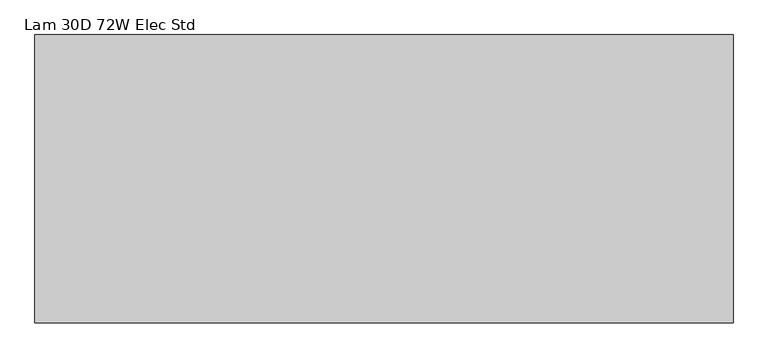
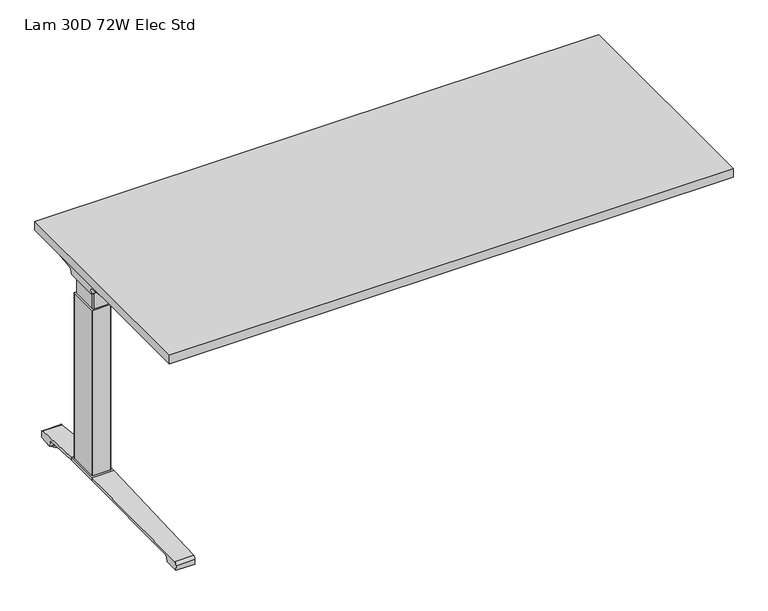
"""IFC4 building model written with IfcOpenShell, lengths in millimetres: furniture geometry, Lam 30D 72W Elec Std."""

from ifc_helpers import new_model, si_unit, point, frame, frame_2d, origin, place, context, project, spatial, polyline, circle_curve, ellipse_curve, trimmed, segment, composite_curve, outline, extrude, source, transform, mapped, element, save
from ifc_brep_helpers import plane_surface, cylinder_surface, revolved_surface, advanced_brep


def lam_30d_72w_elec_std_db533fbc(model_context):
    return source(origin(), model_context, "Body", "SolidModel", [
        extrude(outline(polyline([(887.476, 366.776), (887.476, -366.776), (-887.476, -366.776), (-887.476, 366.776), (887.476, 366.776)])), frame((0.0, 0.0, 707.009), z_axis=(0.0, 0.0, 1.0), x_axis=(1.0, 0.0, 0.0)), (0.0, 0.0, 1.0), 29.591),
        advanced_brep(
        [(-871.1406297, 194.2506702, 658.5915733), (-705.4122138, 194.2506702, 658.5915733), (-719.7924181, 192.0222169, 655.9442785), (-868.6518591, 192.0222169, 655.9442785), (-871.3625278, 194.259656, 658.8276054), (-873.7619089, 194.9036827, 675.7443054), (-690.9773962, 194.9036827, 675.7443054), (-690.9773962, 194.5556965, 666.6037253), (-693.8075093, 194.4745058, 664.4710821), (-693.9501644, 194.3968397, 662.4310191), (-874.6185362, 200.3707181, 681.7839076), (-690.9773962, 200.3707181, 681.7839076), (-877.1393767, 314.9419225, 699.5569507), (-812.9243442, 314.9419225, 699.5569507), (-690.9773962, 234.1372, 687.0219877), (-877.2128152, 318.7179275, 700.0747243), (-818.6229255, 318.7179275, 700.0747243), (-877.8871296, 320.2281839, 704.8289399), (-876.1021288, 317.6512888, 707.009), (-817.0132011, 317.6512888, 707.009), (-877.8871296, -38.7453839, 704.8289399), (-877.2128152, -37.2351275, 700.0747243), (-818.6229255, -37.2351275, 700.0747243), (-817.0132011, -36.1684888, 707.009), (-876.1021288, -36.1684888, 707.009), (-877.1393767, -33.4591225, 699.5569507), (-812.9243442, -33.4591225, 699.5569507), (-874.6185362, 81.1120819, 681.7839076), (-690.9773962, 81.1120819, 681.7839076), (-690.9773962, 47.3456, 687.0219877), (-873.7619089, 86.5791173, 675.7443054), (-690.9773962, 86.5791173, 675.7443054), (-871.3625278, 87.223144, 658.8276054), (-871.1406297, 87.2321298, 658.5915733), (-705.4122138, 87.2321298, 658.5915733), (-693.9501644, 87.0859603, 662.4310191), (-693.8075093, 87.0082942, 664.4710821), (-690.9773962, 86.9271035, 666.6037253), (-868.6518591, 89.4605831, 655.9442785), (-719.7924181, 89.4605831, 655.9442785), (-690.9773962, 47.3456, 707.009), (-690.9773962, 234.1372, 707.009)],
        [
            (0, 1),
            (1, 2, ellipse_curve(frame((-729.6936465, 271.2884009, 750.1086722), z_axis=(0.0, 0.7650318638532662, -0.6439924279750482), x_axis=(0.0, 0.6439924279750482, 0.7650318638532662)), 123.7641411, 94.6835116)),
            (2, 3),
            (3, 0),
            (0, 4),
            (4, 5),
            (5, 6),
            (6, 7),
            (7, 8),
            (8, 9),
            (9, 1, ellipse_curve(frame((-729.6936465, 197.7347686, 750.1086722), z_axis=(0.0, 0.999276106683639, -0.03804290487316255), x_axis=(0.0, 0.03804290487316397, 0.999276106683639)), 94.752102, 94.6835116)),
            (5, 10, ellipse_curve(frame((-873.7119691, 201.3622409, 675.3922075), z_axis=(-0.990090671484964, 0.0, -0.14042956326377007), x_axis=(-0.1404295632637696, 0.0, 0.990090671484964)), 6.5328852, 6.4681487)),
            (10, 11),
            (11, 6, circle_curve(frame((-690.9773962, 201.3622409, 675.3922075), z_axis=(1.0, 0.0, 0.0), x_axis=(0.0, 1.0, 0.0)), 6.4681487)),
            (10, 12),
            (12, 13),
            (13, 14),
            (14, 11),
            (12, 15),
            (15, 16),
            (16, 13),
            (15, 17, ellipse_curve(frame((-877.6730772, 316.7408111, 703.3197755), z_axis=(0.990090671484964, 0.0, 0.14042956326377007), x_axis=(0.1404295632637696, 0.0, -0.990090671484964)), 3.8379455, 3.7999141)),
            (17, 18, ellipse_curve(frame((-879.122811, 316.7408111, 703.3197755), z_axis=(0.7737284588433301, 0.0, -0.6335173809580328), x_axis=(0.6335173809580328, 0.0, 0.77372845884333)), 4.9111727, 3.7999141)),
            (18, 19),
            (19, 16, ellipse_curve(frame((-815.639148, 316.7408111, 703.3197755), z_axis=(-0.5523637579768194, -0.8336031902972335, 0.0), x_axis=(0.8336031902972336, -0.5523637579768194, 0.0)), 6.8793689, 3.7999141)),
            (20, 21, ellipse_curve(frame((-877.6730772, -35.2580111, 703.3197755), z_axis=(0.990090671484964, 0.0, 0.14042956326377007), x_axis=(0.1404295632637696, 0.0, -0.990090671484964)), 3.8379455, 3.7999141)),
            (21, 22),
            (22, 23, ellipse_curve(frame((-815.639148, -35.2580111, 703.3197755), z_axis=(-0.5523637579750398, 0.8336031902984128, 0.0), x_axis=(0.8336031902984128, 0.5523637579750399, 0.0)), 6.8793689, 3.7999141)),
            (23, 24),
            (24, 20, ellipse_curve(frame((-879.122811, -35.2580111, 703.3197755), z_axis=(0.7737284588433301, 0.0, -0.6335173809580328), x_axis=(0.6335173809580328, 0.0, 0.77372845884333)), 4.9111727, 3.7999141)),
            (21, 25),
            (25, 26),
            (26, 22),
            (27, 28),
            (28, 29),
            (29, 26),
            (25, 27),
            (27, 30, ellipse_curve(frame((-873.7119691, 80.1205591, 675.3922075), z_axis=(-0.990090671484964, 0.0, -0.14042956326377007), x_axis=(-0.1404295632637696, 0.0, 0.990090671484964)), 6.5328852, 6.4681487)),
            (30, 31),
            (31, 28, circle_curve(frame((-690.9773962, 80.1205591, 675.3922075), z_axis=(1.0, 0.0, 0.0), x_axis=(0.0, 1.0, 0.0)), 6.4681487)),
            (30, 32),
            (32, 33),
            (33, 34),
            (34, 35, ellipse_curve(frame((-729.6936465, 83.7480314, 750.1086722), z_axis=(0.0, -0.9992761066836363, -0.03804290487323539), x_axis=(0.0, 0.03804290487323121, -0.9992761066836364)), 94.752102, 94.6835116)),
            (35, 36),
            (36, 37),
            (37, 31),
            (33, 38),
            (38, 39),
            (39, 34, ellipse_curve(frame((-729.6936465, 10.1943991, 750.1086722), z_axis=(0.0, -0.7650318638534733, -0.643992427974802), x_axis=(0.0, 0.643992427974802, -0.7650318638534732)), 123.7641411, 94.6835116)),
            (4, 32),
            (20, 17),
            (24, 18),
            (23, 40),
            (40, 41),
            (41, 19),
            (37, 7),
            (14, 41),
            (40, 29),
            (36, 8),
            (35, 9),
            (39, 2),
            (38, 3),
        ],
        [
            plane_surface(frame((-894.1773962, 192.0222169, 655.9442785), z_axis=(0.0, 0.7650318638532662, -0.6439924279750482), x_axis=(1.0, 0.0, 0.0))),
            plane_surface(frame((-894.1773962, 194.2506702, 658.5915733), z_axis=(0.0, 0.999276106683639, -0.03804290487316255), x_axis=(1.0, 0.0, 0.0))),
            revolved_surface(polyline([(-874.6293793154883, 207.8303896, 675.3922075), (-690.9773962, 207.8303896, 675.3922075)]), (-894.1773962, 201.3622409, 675.3922075), (-1.0, 0.0, 0.0)),
            plane_surface(frame((-894.1773962, 200.3707181, 681.7839076), z_axis=(0.0, 0.153293135871396, -0.9881807600306302), x_axis=(1.0, 0.0, 0.0))),
            plane_surface(frame((-894.1773962, 314.9419225, 699.5569507), z_axis=(0.0, 0.13585085469026903, -0.9907292996979162), x_axis=(1.0, 0.0, 0.0))),
            cylinder_surface(frame((-894.1773962, 316.7408111, 703.3197755), z_axis=(1.0, 0.0, 0.0), x_axis=(0.0, 1.0, 0.0)), 3.7999141),
            cylinder_surface(frame((-894.1773962, -35.2580111, 703.3197755), z_axis=(1.0, 0.0, 0.0), x_axis=(0.0, 1.0, 0.0)), 3.7999141),
            plane_surface(frame((-894.1773962, -37.2351275, 700.0747243), z_axis=(0.0, -0.13585085468791205, -0.9907292996982394), x_axis=(1.0, 0.0, 0.0))),
            plane_surface(frame((-894.1773962, -33.4591225, 699.5569507), z_axis=(0.0, -0.1532931358714066, -0.9881807600306285), x_axis=(1.0, 0.0, 0.0))),
            revolved_surface(polyline([(-874.6293793154883, 86.5887078, 675.3922075), (-690.9773962, 86.5887078, 675.3922075)]), (-894.1773962, 80.1205591, 675.3922075), (-1.0, 0.0, 0.0)),
            plane_surface(frame((-894.1773962, 86.5791173, 675.7443054), z_axis=(0.0, -0.9992761066836363, -0.03804290487323539), x_axis=(1.0, 0.0, 0.0))),
            plane_surface(frame((-894.1773962, 87.2321298, 658.5915733), z_axis=(0.0, -0.7650318638534733, -0.643992427974802), x_axis=(1.0, 0.0, 0.0))),
            plane_surface(frame((-871.3625278, 331.2414, 658.8276054), z_axis=(-0.990090671484964, 0.0, -0.14042956326377007), x_axis=(0.0, -1.0, 0.0))),
            plane_surface(frame((-877.8871296, 331.2414, 704.8289399), z_axis=(-0.7737284588433301, 0.0, 0.6335173809580328), x_axis=(0.0, -1.0, 0.0))),
            plane_surface(frame((-876.1021288, 331.2414, 707.009), z_axis=(0.0, 0.0, 1.0), x_axis=(0.0, -1.0, 0.0))),
            plane_surface(frame((-690.9773962, 331.2414, 707.009), z_axis=(1.0, 0.0, 0.0), x_axis=(0.0, -1.0, 0.0))),
            plane_surface(frame((-690.9773962, 331.2414, 666.6037253), z_axis=(0.6018150231515789, 0.0, -0.7986355100476467), x_axis=(0.0, -1.0, 0.0))),
            plane_surface(frame((-693.8075093, 331.2414, 664.4710821), z_axis=(0.9975640502600405, 0.0, -0.06975647374103368), x_axis=(0.0, -1.0, 0.0))),
            cylinder_surface(frame((-729.6936465, 331.2414, 750.1086722), z_axis=(0.0, 1.0, 0.0), x_axis=(1.0, 0.0, 0.0)), 94.6835116),
            plane_surface(frame((-719.7924181, 331.2414, 655.9442785), z_axis=(0.0, 0.0, -1.0), x_axis=(0.0, -1.0, 0.0))),
            plane_surface(frame((-868.6518591, 331.2414, 655.9442785), z_axis=(-0.728584606419653, 0.0, -0.6849558170337118), x_axis=(0.0, -1.0, 0.0))),
            plane_surface(frame((-837.5228017, 331.2414, 707.009), z_axis=(0.5523637579768194, 0.8336031902972335, 0.0), x_axis=(0.0, 0.0, -1.0))),
            plane_surface(frame((-690.9773962, 47.3456, 707.009), z_axis=(0.5523637579750398, -0.8336031902984128, 0.0), x_axis=(0.0, 0.0, -1.0))),
        ],
        [
            (0, [[1, 2, 3, 4]]),
            (1, [[-1, 5, 6, 7, 8, 9, 10, 11]]),
            (2, [[-7, 12, 13, 14]]),
            (3, [[-13, 15, 16, 17, 18]]),
            (4, [[19, 20, 21, -16]]),
            (5, [[22, 23, 24, 25, -20]]),
            (6, [[26, 27, 28, 29, 30]]),
            (7, [[31, 32, 33, -27]]),
            (8, [[34, 35, 36, -32, 37]]),
            (9, [[-34, 38, 39, 40]]),
            (10, [[-39, 41, 42, 43, 44, 45, 46, 47]]),
            (11, [[-43, 48, 49, 50]]),
            (12, [[51, -41, -38, -37, -31, -26, 52, -22, -19, -15, -12, -6]]),
            (13, [[-52, -30, 53, -23]]),
            (14, [[-53, -29, 54, 55, 56, -24]]),
            (15, [[57, -8, -14, -18, 58, -55, 59, -35, -40, -47]]),
            (16, [[-57, -46, 60, -9]]),
            (17, [[-60, -45, 61, -10]]),
            (18, [[-61, -44, -50, 62, -2, -11]]),
            (19, [[-62, -49, 63, -3]]),
            (20, [[-51, -5, -4, -63, -48, -42]]),
            (21, [[-56, -58, -17, -21, -25]]),
            (22, [[-54, -28, -33, -36, -59]]),
        ],
    ),
        advanced_brep(
        [(705.4122138, 194.2506702, 658.5915733), (871.1406297, 194.2506702, 658.5915733), (868.6518591, 192.0222169, 655.9442785), (719.7924181, 192.0222169, 655.9442785), (693.9501644, 194.3968397, 662.4310191), (693.8075093, 194.4745058, 664.4710821), (691.1619573, 194.5504018, 666.4646485), (691.1619573, 194.9036827, 675.7443054), (873.7619089, 194.9036827, 675.7443054), (871.3625278, 194.259656, 658.8276054), (691.1619573, 200.3707181, 681.7839076), (874.6185362, 200.3707181, 681.7839076), (691.1619573, 234.1303953, 687.0209321), (812.9570453, 314.9419225, 699.5569507), (877.1393767, 314.9419225, 699.5569507), (877.2128152, 318.7179275, 700.0747243), (818.6480509, 318.7179275, 700.0747243), (877.8871296, 320.2281839, 704.8289399), (817.0404665, 317.6512888, 707.009), (876.1021288, 317.6512888, 707.009), (877.2128152, -37.2351275, 700.0747243), (877.8871296, -38.7453839, 704.8289399), (876.1021288, -36.1684888, 707.009), (817.0404665, -36.1684888, 707.009), (818.6480509, -37.2351275, 700.0747243), (877.1393767, -33.4591225, 699.5569507), (812.9570453, -33.4591225, 699.5569507), (691.1619573, 81.1120819, 681.7839076), (874.6185362, 81.1120819, 681.7839076), (691.1619573, 47.3524047, 687.0209321), (691.1619573, 86.5791173, 675.7443054), (873.7619089, 86.5791173, 675.7443054), (691.1619573, 86.9323982, 666.4646485), (693.8075093, 87.0082942, 664.4710821), (693.9501644, 87.0859603, 662.4310191), (705.4122138, 87.2321298, 658.5915733), (871.1406297, 87.2321298, 658.5915733), (871.3625278, 87.223144, 658.8276054), (719.7924181, 89.4605831, 655.9442785), (868.6518591, 89.4605831, 655.9442785), (691.1619573, 234.1303953, 707.009), (691.1619573, 47.3524047, 707.009)],
        [
            (0, 1),
            (1, 2),
            (2, 3),
            (3, 0, ellipse_curve(frame((729.6936465, 271.2884009, 750.1086722), z_axis=(0.0, 0.7650318638532565, -0.6439924279750596), x_axis=(0.0, -0.6439924279750596, -0.7650318638532564)), 123.7641411, 94.6835116)),
            (0, 4, ellipse_curve(frame((729.6936465, 197.7347686, 750.1086722), z_axis=(0.0, 0.9992761066836392, -0.03804290487315862), x_axis=(0.0, -0.03804290487315623, -0.9992761066836393)), 94.752102, 94.6835116)),
            (4, 5),
            (5, 6),
            (6, 7),
            (7, 8),
            (8, 9),
            (9, 1),
            (7, 10, circle_curve(frame((691.1619573, 201.3622409, 675.3922075), z_axis=(-1.0, 0.0, 0.0), x_axis=(0.0, 1.0, 0.0)), 6.4681487)),
            (10, 11),
            (11, 8, ellipse_curve(frame((873.7119691, 201.3622409, 675.3922075), z_axis=(0.9900906714849659, 0.0, -0.1404295632637567), x_axis=(-0.1404295632637562, 0.0, -0.9900906714849659)), 6.5328852, 6.4681487)),
            (10, 12),
            (12, 13),
            (13, 14),
            (14, 11),
            (15, 14),
            (13, 16),
            (16, 15),
            (17, 15, ellipse_curve(frame((877.6730772, 316.7408111, 703.3197755), z_axis=(-0.9900906714849659, 0.0, 0.1404295632637567), x_axis=(0.1404295632637562, 0.0, 0.9900906714849659)), 3.8379455, 3.7999141)),
            (16, 18, ellipse_curve(frame((815.66824, 316.7408111, 703.3197755), z_axis=(0.5528743936295497, -0.8332646067539158, 0.0), x_axis=(0.8332646067539156, 0.5528743936295497, 0.0)), 6.8730151, 3.7999141)),
            (18, 19),
            (19, 17, ellipse_curve(frame((879.122811, 316.7408111, 703.3197755), z_axis=(-0.7737284588399557, 0.0, -0.633517380962154), x_axis=(0.6335173809621538, 0.0, -0.7737284588399556)), 4.9111727, 3.7999141)),
            (20, 21, ellipse_curve(frame((877.6730772, -35.2580111, 703.3197755), z_axis=(-0.9900906714849659, 0.0, 0.1404295632637567), x_axis=(0.1404295632637562, 0.0, 0.9900906714849659)), 3.8379455, 3.7999141)),
            (21, 22, ellipse_curve(frame((879.122811, -35.2580111, 703.3197755), z_axis=(-0.7737284588399557, 0.0, -0.633517380962154), x_axis=(0.6335173809621538, 0.0, -0.7737284588399556)), 4.9111727, 3.7999141)),
            (22, 23),
            (23, 24, ellipse_curve(frame((815.66824, -35.2580111, 703.3197755), z_axis=(0.5528743936295342, 0.8332646067539261, 0.0), x_axis=(0.8332646067539259, -0.5528743936295342, 0.0)), 6.8730151, 3.7999141)),
            (24, 20),
            (25, 20),
            (24, 26),
            (26, 25),
            (27, 28),
            (28, 25),
            (26, 29),
            (29, 27),
            (27, 30, circle_curve(frame((691.1619573, 80.1205591, 675.3922075), z_axis=(-1.0, 0.0, 0.0), x_axis=(0.0, 1.0, 0.0)), 6.4681487)),
            (30, 31),
            (31, 28, ellipse_curve(frame((873.7119691, 80.1205591, 675.3922075), z_axis=(0.9900906714849659, 0.0, -0.1404295632637567), x_axis=(-0.1404295632637562, 0.0, -0.9900906714849659)), 6.5328852, 6.4681487)),
            (30, 32),
            (32, 33),
            (33, 34),
            (34, 35, ellipse_curve(frame((729.6936465, 83.7480314, 750.1086722), z_axis=(0.0, -0.9992761066836363, -0.03804290487323539), x_axis=(0.0, -0.03804290487323121, 0.9992761066836364)), 94.752102, 94.6835116)),
            (35, 36),
            (36, 37),
            (37, 31),
            (35, 38, ellipse_curve(frame((729.6936465, 10.1943991, 750.1086722), z_axis=(0.0, -0.7650318638534733, -0.643992427974802), x_axis=(0.0, -0.643992427974802, 0.7650318638534732)), 123.7641411, 94.6835116)),
            (38, 39),
            (39, 36),
            (37, 9),
            (17, 21),
            (19, 22),
            (18, 40),
            (40, 41),
            (41, 23),
            (6, 32),
            (29, 41),
            (40, 12),
            (5, 33),
            (4, 34),
            (3, 38),
            (2, 39),
        ],
        [
            plane_surface(frame((691.1619573, 192.0222169, 655.9442785), z_axis=(0.0, 0.7650318638532565, -0.6439924279750596), x_axis=(1.0, 0.0, 0.0))),
            plane_surface(frame((691.1619573, 194.2506702, 658.5915733), z_axis=(0.0, 0.9992761066836392, -0.03804290487315862), x_axis=(1.0, 0.0, 0.0))),
            revolved_surface(polyline([(691.1619573, 207.8303896, 675.3922075), (874.6293793154882, 207.8303896, 675.3922075)]), (691.1619573, 201.3622409, 675.3922075), (-1.0, 0.0, 0.0)),
            plane_surface(frame((691.1619573, 200.3707181, 681.7839076), z_axis=(0.0, 0.15329313587140309, -0.988180760030629), x_axis=(1.0, 0.0, 0.0))),
            plane_surface(frame((691.1619573, 314.9419225, 699.5569507), z_axis=(0.0, 0.1358508546900816, -0.9907292996979419), x_axis=(1.0, 0.0, 0.0))),
            cylinder_surface(frame((691.1619573, 316.7408111, 703.3197755), z_axis=(1.0, 0.0, 0.0), x_axis=(0.0, 1.0, 0.0)), 3.7999141),
            cylinder_surface(frame((691.1619573, -35.2580111, 703.3197755), z_axis=(1.0, 0.0, 0.0), x_axis=(0.0, 1.0, 0.0)), 3.7999141),
            plane_surface(frame((691.1619573, -37.2351275, 700.0747243), z_axis=(0.0, -0.1358508546877776, -0.9907292996982578), x_axis=(1.0, 0.0, 0.0))),
            plane_surface(frame((691.1619573, -33.4591225, 699.5569507), z_axis=(0.0, -0.15329313587141113, -0.9881807600306277), x_axis=(1.0, 0.0, 0.0))),
            revolved_surface(polyline([(691.1619573, 86.5887078, 675.3922075), (874.6293793154882, 86.5887078, 675.3922075)]), (691.1619573, 80.1205591, 675.3922075), (-1.0, 0.0, 0.0)),
            plane_surface(frame((691.1619573, 86.5791173, 675.7443054), z_axis=(0.0, -0.9992761066836363, -0.03804290487323539), x_axis=(1.0, 0.0, 0.0))),
            plane_surface(frame((691.1619573, 87.2321298, 658.5915733), z_axis=(0.0, -0.7650318638534733, -0.643992427974802), x_axis=(1.0, 0.0, 0.0))),
            plane_surface(frame((871.3625278, -49.7586, 658.8276054), z_axis=(0.9900906714849659, 0.0, -0.1404295632637567), x_axis=(0.0, 1.0, 0.0))),
            plane_surface(frame((877.8871296, -49.7586, 704.8289399), z_axis=(0.7737284588399557, 0.0, 0.633517380962154), x_axis=(0.0, 1.0, 0.0))),
            plane_surface(frame((876.1021288, -49.7586, 707.009), z_axis=(0.0, 0.0, 1.0), x_axis=(0.0, 1.0, 0.0))),
            plane_surface(frame((691.1619573, -49.7586, 707.009), z_axis=(-1.0, 0.0, 0.0), x_axis=(0.0, 1.0, 0.0))),
            plane_surface(frame((691.1619573, -49.7586, 666.4646485), z_axis=(-0.6018150231540728, 0.0, -0.7986355100457674), x_axis=(0.0, 1.0, 0.0))),
            plane_surface(frame((693.8075093, -49.7586, 664.4710821), z_axis=(-0.9975640502598242, 0.0, -0.06975647374412697), x_axis=(0.0, 1.0, 0.0))),
            cylinder_surface(frame((729.6936465, -49.7586, 750.1086722), z_axis=(0.0, -1.0, 0.0), x_axis=(-1.0, 0.0, 0.0)), 94.6835116),
            plane_surface(frame((719.7924181, -49.7586, 655.9442785), z_axis=(0.0, 0.0, -1.0), x_axis=(0.0, 1.0, 0.0))),
            plane_surface(frame((868.6518591, -49.7586, 655.9442785), z_axis=(0.7285846064222866, 0.0, -0.6849558170309101), x_axis=(0.0, 1.0, 0.0))),
            plane_surface(frame((691.1619573, 234.1303953, 707.009), z_axis=(-0.5528743936295497, 0.8332646067539158, 0.0), x_axis=(0.0, 0.0, -1.0))),
            plane_surface(frame((837.5228017, -49.7586, 707.009), z_axis=(-0.5528743936295342, -0.8332646067539261, 0.0), x_axis=(0.0, 0.0, -1.0))),
        ],
        [
            (0, [[1, 2, 3, 4]]),
            (1, [[-1, 5, 6, 7, 8, 9, 10, 11]]),
            (2, [[-9, 12, 13, 14]]),
            (3, [[-13, 15, 16, 17, 18]]),
            (4, [[19, -17, 20, 21]]),
            (5, [[22, -21, 23, 24, 25]]),
            (6, [[26, 27, 28, 29, 30]]),
            (7, [[31, -30, 32, 33]]),
            (8, [[34, 35, -33, 36, 37]]),
            (9, [[-34, 38, 39, 40]]),
            (10, [[-39, 41, 42, 43, 44, 45, 46, 47]]),
            (11, [[-45, 48, 49, 50]]),
            (12, [[51, -10, -14, -18, -19, -22, 52, -26, -31, -35, -40, -47]]),
            (13, [[-52, -25, 53, -27]]),
            (14, [[-53, -24, 54, 55, 56, -28]]),
            (15, [[57, -41, -38, -37, 58, -55, 59, -15, -12, -8]]),
            (16, [[-57, -7, 60, -42]]),
            (17, [[-60, -6, 61, -43]]),
            (18, [[-61, -5, -4, 62, -48, -44]]),
            (19, [[-62, -3, 63, -49]]),
            (20, [[-51, -46, -50, -63, -2, -11]]),
            (21, [[-54, -23, -20, -16, -59]]),
            (22, [[-56, -58, -36, -32, -29]]),
        ],
    ),
        advanced_brep(
        [(-690.9773962, 219.4245697, 701.7794894), (-690.9773962, 221.1889242, 704.0075511), (-690.9773962, 232.1695225, 704.0075511), (-690.9773962, 232.8996919, 701.4093085), (-690.9773962, 211.4733108, 671.8462148), (-690.9773962, 194.0724914, 663.2452863), (-690.9773962, 87.2846156, 663.2452863), (-690.9773962, 69.6568217, 672.2997482), (-690.9773962, 48.3221138, 702.0706054), (-690.9773962, 49.9606766, 704.1266572), (-690.9773962, 60.1758098, 704.1266572), (-690.9773962, 62.0467848, 701.7794894), (-690.9773962, 61.3055637, 701.2423822), (-690.9773962, 59.7353363, 703.2122572), (-690.9773962, 50.0567238, 703.2122572), (-690.9773962, 49.2508351, 702.3444366), (-690.9773962, 70.4000744, 672.8323858), (-690.9773962, 87.2846156, 664.1598536), (-690.9773962, 194.0724914, 664.1596863), (-690.9773962, 210.73984, 672.3923713), (-690.9773962, 232.0935627, 701.8552144), (-690.9773962, 231.8362942, 703.0931511), (-690.9773962, 221.631209, 703.0931511), (-690.9773962, 220.1656719, 701.2424419), (691.1619573, 219.4245697, 701.7794894), (691.1619573, 220.1656719, 701.2424419), (691.1619573, 221.631209, 703.0931511), (691.1619573, 231.8362942, 703.0931511), (691.1619573, 232.0935627, 701.8552144), (691.1619573, 210.73984, 672.3923713), (691.1619573, 194.0724914, 664.1596863), (691.1619573, 87.2846155, 664.1596863), (691.1619573, 70.4000744, 672.8323858), (691.1619573, 49.2508351, 702.3444366), (691.1619573, 50.0567238, 703.2122572), (691.1619573, 59.7353363, 703.2122572), (691.1619573, 61.3055637, 701.2423822), (691.1619573, 62.0467848, 701.7794894), (691.1619573, 60.1758098, 704.1266572), (691.1619573, 49.9606766, 704.1266572), (691.1619573, 48.3221138, 702.0706054), (691.1619573, 69.6568217, 672.2997482), (691.1619573, 87.2846156, 663.2454536), (691.1619573, 194.0724914, 663.2452863), (691.1619573, 211.4733108, 671.8462148), (691.1619573, 232.8996919, 701.4093085), (691.1619573, 232.1695225, 704.0075511), (691.1619573, 221.1889242, 704.0075511)],
        [
            (0, 1),
            (1, 2),
            (2, 3, circle_curve(frame((-690.9773962, 230.9519576, 702.2636667), z_axis=(-1.0, 0.0, 0.0), x_axis=(0.0, 1.0, 0.0)), 2.1268749)),
            (3, 4),
            (4, 5, circle_curve(frame((-690.9773962, 194.0724914, 685.1478336), z_axis=(-1.0, 0.0, 0.0), x_axis=(0.0, 1.0, 0.0)), 21.9025472)),
            (5, 6),
            (6, 7, circle_curve(frame((-690.9773962, 87.2846156, 684.932365), z_axis=(-1.0, 0.0, 0.0), x_axis=(0.0, 1.0, 0.0)), 21.6869114)),
            (7, 8),
            (8, 9, circle_curve(frame((-690.9773962, 50.3224635, 702.1573833), z_axis=(-1.0, 0.0, 0.0), x_axis=(0.0, 1.0, 0.0)), 2.0022311)),
            (9, 10),
            (10, 11),
            (11, 12),
            (12, 13),
            (13, 14),
            (14, 15, circle_curve(frame((-690.9773962, 50.3224635, 702.1573833), z_axis=(1.0, 0.0, 0.0), x_axis=(0.0, 1.0, 0.0)), 1.0878311)),
            (15, 16),
            (16, 17, circle_curve(frame((-690.9773962, 87.2846156, 684.932365), z_axis=(1.0, 0.0, 0.0), x_axis=(0.0, 1.0, 0.0)), 20.7725114)),
            (17, 18),
            (18, 19, circle_curve(frame((-690.9773962, 194.0724914, 685.1478336), z_axis=(1.0, 0.0, 0.0), x_axis=(0.0, 1.0, 0.0)), 20.9881473)),
            (19, 20),
            (20, 21, circle_curve(frame((-690.9773962, 230.9519576, 702.2636667), z_axis=(1.0, 0.0, 0.0), x_axis=(0.0, 1.0, 0.0)), 1.2124749)),
            (21, 22),
            (22, 23),
            (23, 0),
            (24, 25),
            (25, 26),
            (26, 27),
            (27, 28, circle_curve(frame((691.1619573, 230.9519576, 702.2636667), z_axis=(-1.0, 0.0, 0.0), x_axis=(0.0, 1.0, 0.0)), 1.2124749)),
            (28, 29),
            (29, 30, circle_curve(frame((691.1619573, 194.0724914, 685.1478336), z_axis=(-1.0, 0.0, 0.0), x_axis=(0.0, 1.0, 0.0)), 20.9881473)),
            (30, 31),
            (31, 32, circle_curve(frame((691.1619573, 87.2846156, 684.932365), z_axis=(-1.0, 0.0, 0.0), x_axis=(0.0, 1.0, 0.0)), 20.7725114)),
            (32, 33),
            (33, 34, circle_curve(frame((691.1619573, 50.3224635, 702.1573833), z_axis=(-1.0, 0.0, 0.0), x_axis=(0.0, 1.0, 0.0)), 1.0878311)),
            (34, 35),
            (35, 36),
            (36, 37),
            (37, 38),
            (38, 39),
            (39, 40, circle_curve(frame((691.1619573, 50.3224635, 702.1573833), z_axis=(1.0, 0.0, 0.0), x_axis=(0.0, 1.0, 0.0)), 2.0022311)),
            (40, 41),
            (41, 42, circle_curve(frame((691.1619573, 87.2846156, 684.932365), z_axis=(1.0, 0.0, 0.0), x_axis=(0.0, 1.0, 0.0)), 21.6869114)),
            (42, 43),
            (43, 44, circle_curve(frame((691.1619573, 194.0724914, 685.1478336), z_axis=(1.0, 0.0, 0.0), x_axis=(0.0, 1.0, 0.0)), 21.9025472)),
            (44, 45),
            (45, 46, circle_curve(frame((691.1619573, 230.9519576, 702.2636667), z_axis=(1.0, 0.0, 0.0), x_axis=(0.0, 1.0, 0.0)), 2.1268749)),
            (46, 47),
            (47, 24),
            (0, 24),
            (47, 1),
            (46, 2),
            (45, 3),
            (44, 4),
            (43, 5),
            (42, 6),
            (41, 7),
            (40, 8),
            (39, 9),
            (38, 10),
            (37, 11),
            (36, 12),
            (35, 13),
            (34, 14),
            (33, 15),
            (32, 16),
            (31, 17),
            (30, 18),
            (29, 19),
            (28, 20),
            (27, 21),
            (26, 22),
            (25, 23),
        ],
        [
            plane_surface(frame((-690.9773962, 140.7414, 707.009), z_axis=(-1.0, 0.0, 0.0), x_axis=(0.0, 0.0, 1.0))),
            plane_surface(frame((691.1619573, 140.7414, 707.009), z_axis=(1.0, 0.0, 0.0), x_axis=(0.0, 0.0, 1.0))),
            plane_surface(frame((-690.9773962, 219.4245697, 701.7794894), z_axis=(0.0, -0.7839649337165058, 0.6208051084703434), x_axis=(1.0, 0.0, 0.0))),
            plane_surface(frame((-690.9773962, 221.1889242, 704.0075511), z_axis=(0.0, 0.0, 1.0), x_axis=(1.0, 0.0, 0.0))),
            cylinder_surface(frame((-690.9773962, 230.9519576, 702.2636667), z_axis=(-1.0, 0.0, 0.0), x_axis=(0.0, 1.0, 0.0)), 2.1268749),
            plane_surface(frame((-690.9773962, 232.8996919, 701.4093085), z_axis=(0.0, 0.8096997445281038, -0.586844377762217), x_axis=(1.0, 0.0, 0.0))),
            cylinder_surface(frame((-690.9773962, 194.0724914, 685.1478336), z_axis=(-1.0, 0.0, 0.0), x_axis=(0.0, 1.0, 0.0)), 21.9025472),
            plane_surface(frame((-690.9773962, 194.0724914, 663.2452863), z_axis=(0.0, 0.0, -1.0), x_axis=(1.0, 0.0, 0.0))),
            cylinder_surface(frame((-690.9773962, 87.2846156, 684.932365), z_axis=(-1.0, 0.0, 0.0), x_axis=(0.0, 1.0, 0.0)), 21.6869114),
            plane_surface(frame((-690.9773962, 69.6568217, 672.2997482), z_axis=(0.0, -0.8128309997561537, -0.5824995844079305), x_axis=(1.0, 0.0, 0.0))),
            cylinder_surface(frame((-690.9773962, 50.3224635, 702.1573833), z_axis=(-1.0, 0.0, 0.0), x_axis=(0.0, 1.0, 0.0)), 2.0022311),
            plane_surface(frame((-690.9773962, 49.9606766, 704.1266572), z_axis=(0.0, 0.0, 1.0), x_axis=(1.0, 0.0, 0.0))),
            plane_surface(frame((-690.9773962, 60.1758098, 704.1266572), z_axis=(0.0, 0.7819660587237972, 0.6233210112004657), x_axis=(1.0, 0.0, 0.0))),
            plane_surface(frame((-690.9773962, 62.0467848, 701.7794894), z_axis=(0.0, 0.5867684336468096, -0.8097547809526473), x_axis=(1.0, 0.0, 0.0))),
            plane_surface(frame((-690.9773962, 61.3055637, 701.2423822), z_axis=(0.0, -0.7819660587239206, -0.6233210112003109), x_axis=(1.0, 0.0, 0.0))),
            plane_surface(frame((-690.9773962, 59.7353363, 703.2122572), z_axis=(0.0, 0.0, -1.0), x_axis=(1.0, 0.0, 0.0))),
            revolved_surface(polyline([(691.1619573000002, 51.4102946, 702.1573833), (-690.9773962, 51.4102946, 702.1573833)]), (-690.9773962, 50.3224635, 702.1573833), (1.0, 0.0, 0.0)),
            plane_surface(frame((-690.9773962, 49.2508351, 702.3444366), z_axis=(0.0, 0.8128309996716102, 0.582499584525904), x_axis=(1.0, 0.0, 0.0))),
            revolved_surface(polyline([(691.1619573000002, 108.057127, 684.932365), (-690.9773962, 108.057127, 684.932365)]), (-690.9773962, 87.2846156, 684.932365), (1.0, 0.0, 0.0)),
            plane_surface(frame((-690.9773962, 87.2846155, 664.1596863), z_axis=(0.0, 0.0, 1.0), x_axis=(1.0, 0.0, 0.0))),
            revolved_surface(polyline([(691.1619573000002, 215.0606387, 685.1478336), (-690.9773962, 215.0606387, 685.1478336)]), (-690.9773962, 194.0724914, 685.1478336), (1.0, 0.0, 0.0)),
            plane_surface(frame((-690.9773962, 210.73984, 672.3923713), z_axis=(0.0, -0.8096997449536107, 0.5868443771751228), x_axis=(1.0, 0.0, 0.0))),
            revolved_surface(polyline([(691.1619573000002, 232.16443249999998, 702.2636667), (-690.9773962, 232.16443249999998, 702.2636667)]), (-690.9773962, 230.9519576, 702.2636667), (1.0, 0.0, 0.0)),
            plane_surface(frame((-690.9773962, 231.8362942, 703.0931511), z_axis=(0.0, 0.0, -1.0), x_axis=(1.0, 0.0, 0.0))),
            plane_surface(frame((-690.9773962, 221.631209, 703.0931511), z_axis=(0.0, 0.7839649337164979, -0.6208051084703533), x_axis=(1.0, 0.0, 0.0))),
            plane_surface(frame((-690.9773962, 220.1656719, 701.2424419), z_axis=(0.0, -0.5867873637752554, -0.8097410633737715), x_axis=(1.0, 0.0, 0.0))),
        ],
        [
            (0, [[1, 2, 3, 4, 5, 6, 7, 8, 9, 10, 11, 12, 13, 14, 15, 16, 17, 18, 19, 20, 21, 22, 23, 24]]),
            (1, [[25, 26, 27, 28, 29, 30, 31, 32, 33, 34, 35, 36, 37, 38, 39, 40, 41, 42, 43, 44, 45, 46, 47, 48]]),
            (2, [[-1, 49, -48, 50]]),
            (3, [[-2, -50, -47, 51]]),
            (4, [[-3, -51, -46, 52]]),
            (5, [[-4, -52, -45, 53]]),
            (6, [[-5, -53, -44, 54]]),
            (7, [[-6, -54, -43, 55]]),
            (8, [[-7, -55, -42, 56]]),
            (9, [[-8, -56, -41, 57]]),
            (10, [[-9, -57, -40, 58]]),
            (11, [[-10, -58, -39, 59]]),
            (12, [[-11, -59, -38, 60]]),
            (13, [[-12, -60, -37, 61]]),
            (14, [[-13, -61, -36, 62]]),
            (15, [[-14, -62, -35, 63]]),
            (16, [[-15, -63, -34, 64]]),
            (17, [[-16, -64, -33, 65]]),
            (18, [[-17, -65, -32, 66]]),
            (19, [[-18, -66, -31, 67]]),
            (20, [[-19, -67, -30, 68]]),
            (21, [[-20, -68, -29, 69]]),
            (22, [[-21, -69, -28, 70]]),
            (23, [[-22, -70, -27, 71]]),
            (24, [[-23, -71, -26, 72]]),
            (25, [[-24, -72, -25, -49]]),
        ],
    ),
        extrude(outline(composite_curve([segment(polyline([(55.5056383, 705.3739712), (47.2253898, 705.3739712), (46.7140592, 704.3565876), (69.739753, 672.4872047)]), True, "CONTINUOUS"), segment(trimmed(circle_curve(frame_2d((87.8837814, 688.0741393)), 23.9198306), [point((69.739753, 672.4872047))], [point((87.8837814, 664.1543087))], True, "CARTESIAN"), True, "CONTINUOUS"), segment(polyline([(87.8837814, 664.1543087), (301.5718611, 664.1543087)]), True, "CONTINUOUS"), segment(trimmed(circle_curve(frame_2d((302.3659677, 686.2522042)), 22.1121593), [point((301.5718611, 664.1543087))], [point((320.2711793, 673.2771903))], True, "CARTESIAN"), True, "CONTINUOUS"), segment(polyline([(320.2711793, 673.2771903), (342.2234672, 703.5708273), (342.9639039, 703.0342821), (321.0116102, 672.740637)]), True, "CONTINUOUS"), segment(trimmed(circle_curve(frame_2d((302.3659677, 686.2522042)), 23.0265593), [point((321.0116102, 672.740637))], [point((301.555603, 663.2399087))], False, "CARTESIAN"), True, "CONTINUOUS"), segment(polyline([(301.555603, 663.2399087), (87.8837814, 663.2399087)]), True, "CONTINUOUS"), segment(trimmed(circle_curve(frame_2d((87.8837814, 688.0741393)), 24.8342306), [point((87.8837814, 663.2399087))], [point((69.0208769, 671.9208163))], False, "CARTESIAN"), True, "CONTINUOUS"), segment(polyline([(69.0208769, 671.9208163), (45.6477131, 704.2711252), (46.6615684, 706.2883712), (55.7445219, 706.2883712), (55.5056383, 705.3739712)]), True, "CONTINUOUS")], self_intersect=False)), frame((-690.9773962, 0.0, 0.0), z_axis=(1.0, 0.0, 0.0), x_axis=(0.0, 1.0, 0.0)), (0.0, 0.0, 1.0), 1382.1393535),
        advanced_brep(
        [(814.7283088, 185.4896497, 655.9442785), (811.9624028, 183.1364111, 655.9442785), (811.9624028, 98.3627858, 655.9442785), (815.0159671, 96.013387, 655.9442785), (858.3299922, 95.9931503, 655.9442785), (861.3895972, 98.3628936, 655.9442785), (861.3895972, 183.1364956, 655.9442785), (858.6236912, 185.4896497, 655.9442785), (814.7283088, 185.4896497, 599.0990785), (858.6236912, 185.4896497, 599.0990785), (861.3895972, 183.1364956, 599.0990785), (861.3895972, 98.3628936, 599.0990785), (858.3360098, 96.0133923, 599.0990785), (815.0220078, 95.9931503, 599.0990785), (811.9624028, 98.3627858, 599.0990785), (811.9624028, 183.1364111, 599.0990785)],
        [
            (0, 1, circle_curve(frame((815.0300788, 182.3328719, 655.9442785), z_axis=(0.0, 0.0, 1.0), x_axis=(1.0, 0.0, 0.0)), 3.1711688)),
            (1, 2),
            (2, 3, circle_curve(frame((815.0159671, 99.172478, 655.9442785), z_axis=(0.0, 0.0, 1.0), x_axis=(1.0, 0.0, 0.0)), 3.1590911)),
            (3, 4),
            (4, 5, circle_curve(frame((858.3360098, 99.172478, 655.9442785), z_axis=(0.0, 0.0, 1.0), x_axis=(1.0, 0.0, 0.0)), 3.1590858)),
            (5, 6),
            (6, 7, circle_curve(frame((858.3219439, 182.3328698, 655.9442785), z_axis=(0.0, 0.0, 1.0), x_axis=(1.0, 0.0, 0.0)), 3.1711687)),
            (7, 0),
            (8, 9),
            (9, 10, circle_curve(frame((858.3219439, 182.3328698, 599.0990785), z_axis=(0.0, 0.0, -1.0), x_axis=(1.0, 0.0, 0.0)), 3.1711687)),
            (10, 11),
            (11, 12, circle_curve(frame((858.3360098, 99.172478, 599.0990785), z_axis=(0.0, 0.0, -1.0), x_axis=(1.0, 0.0, 0.0)), 3.1590858)),
            (12, 13),
            (13, 14, circle_curve(frame((815.0159671, 99.172478, 599.0990785), z_axis=(0.0, 0.0, -1.0), x_axis=(1.0, 0.0, 0.0)), 3.1590911)),
            (14, 15),
            (15, 8, circle_curve(frame((815.0300788, 182.3328719, 599.0990785), z_axis=(0.0, 0.0, -1.0), x_axis=(1.0, 0.0, 0.0)), 3.1711688)),
            (7, 9),
            (8, 0),
            (6, 10),
            (5, 11),
            (4, 12),
            (3, 13),
            (2, 14),
            (1, 15),
        ],
        [
            plane_surface(frame((818.2012476, 182.3328719, 655.9442785), z_axis=(0.0, 0.0, 1.0), x_axis=(0.0, 1.0, 0.0))),
            plane_surface(frame((818.2012476, 182.3328719, 599.0990785), z_axis=(0.0, 0.0, -1.0), x_axis=(0.0, -1.0, 0.0))),
            plane_surface(frame((858.6236912, 185.4896497, 655.9442785), z_axis=(0.0, 1.0, 0.0), x_axis=(0.0, 0.0, -1.0))),
            cylinder_surface(frame((858.3219439, 182.3328698, 599.0990785), z_axis=(0.0, 0.0, 1.0), x_axis=(1.0, 0.0, 0.0)), 3.1711687),
            plane_surface(frame((861.3895972, 98.3628936, 655.9442785), z_axis=(1.0, 0.0, 0.0), x_axis=(0.0, 0.0, -1.0))),
            cylinder_surface(frame((858.3360098, 99.172478, 599.0990785), z_axis=(0.0, 0.0, 1.0), x_axis=(1.0, 0.0, 0.0)), 3.1590858),
            plane_surface(frame((815.0220078, 95.9931503, 655.9442785), z_axis=(0.0, -1.0, 0.0), x_axis=(0.0, 0.0, -1.0))),
            cylinder_surface(frame((815.0159671, 99.172478, 599.0990785), z_axis=(0.0, 0.0, 1.0), x_axis=(1.0, 0.0, 0.0)), 3.1590911),
            plane_surface(frame((811.9624028, 183.1364111, 655.9442785), z_axis=(-1.0, 0.0, 0.0), x_axis=(0.0, 0.0, -1.0))),
            cylinder_surface(frame((815.0300788, 182.3328719, 599.0990785), z_axis=(0.0, 0.0, 1.0), x_axis=(1.0, 0.0, 0.0)), 3.1711688),
        ],
        [
            (0, [[1, 2, 3, 4, 5, 6, 7, 8]]),
            (1, [[9, 10, 11, 12, 13, 14, 15, 16]]),
            (2, [[-8, 17, -9, 18]]),
            (3, [[-7, 19, -10, -17]]),
            (4, [[-6, 20, -11, -19]]),
            (5, [[-5, 21, -12, -20]]),
            (6, [[-4, 22, -13, -21]]),
            (7, [[-3, 23, -14, -22]]),
            (8, [[-2, 24, -15, -23]]),
            (9, [[-1, -18, -16, -24]]),
        ],
    ),
        advanced_brep(
        [(-814.7283088, 185.4896497, 655.9442785), (-858.6236912, 185.4896497, 655.9442785), (-861.3806448, 183.1699241, 655.9442785), (-861.3806448, 98.3298508, 655.9442785), (-858.3360098, 96.0133923, 655.9442785), (-815.0220078, 95.9931503, 655.9442785), (-811.9713552, 98.3297475, 655.9442785), (-811.9713552, 183.1698433, 655.9442785), (-814.7283088, 185.4896497, 599.0990785), (-811.9713552, 183.1698433, 599.0990785), (-811.9713552, 98.3297475, 599.0990785), (-815.0159671, 96.013387, 599.0990785), (-858.3299922, 95.9931503, 599.0990785), (-861.3806448, 98.3298508, 599.0990785), (-861.3806448, 183.1699241, 599.0990785), (-858.6236912, 185.4896497, 599.0990785)],
        [
            (0, 1),
            (1, 2, circle_curve(frame((-858.3219439, 182.3328698, 655.9442785), z_axis=(0.0, 0.0, 1.0), x_axis=(-1.0, 0.0, 0.0)), 3.1711687)),
            (2, 3),
            (3, 4, circle_curve(frame((-858.3360098, 99.172478, 655.9442785), z_axis=(0.0, 0.0, 1.0), x_axis=(-1.0, 0.0, 0.0)), 3.1590858)),
            (4, 5),
            (5, 6, circle_curve(frame((-815.0159671, 99.172478, 655.9442785), z_axis=(0.0, 0.0, 1.0), x_axis=(-1.0, 0.0, 0.0)), 3.1590911)),
            (6, 7),
            (7, 0, circle_curve(frame((-815.0300788, 182.3328719, 655.9442785), z_axis=(0.0, 0.0, 1.0), x_axis=(-1.0, 0.0, 0.0)), 3.1711688)),
            (8, 9, circle_curve(frame((-815.0300788, 182.3328719, 599.0990785), z_axis=(0.0, 0.0, -1.0), x_axis=(-1.0, 0.0, 0.0)), 3.1711688)),
            (9, 10),
            (10, 11, circle_curve(frame((-815.0159671, 99.172478, 599.0990785), z_axis=(0.0, 0.0, -1.0), x_axis=(-1.0, 0.0, 0.0)), 3.1590911)),
            (11, 12),
            (12, 13, circle_curve(frame((-858.3360098, 99.172478, 599.0990785), z_axis=(0.0, 0.0, -1.0), x_axis=(-1.0, 0.0, 0.0)), 3.1590858)),
            (13, 14),
            (14, 15, circle_curve(frame((-858.3219439, 182.3328698, 599.0990785), z_axis=(0.0, 0.0, -1.0), x_axis=(-1.0, 0.0, 0.0)), 3.1711687)),
            (15, 8),
            (0, 8),
            (15, 1),
            (14, 2),
            (13, 3),
            (12, 4),
            (11, 5),
            (10, 6),
            (9, 7),
        ],
        [
            plane_surface(frame((-858.6236912, 185.4896497, 655.9442785), z_axis=(0.0, 0.0, 1.0), x_axis=(-1.0, 0.0, 0.0))),
            plane_surface(frame((-858.6236912, 185.4896497, 599.0990785), z_axis=(0.0, 0.0, -1.0), x_axis=(1.0, 0.0, 0.0))),
            plane_surface(frame((-814.7283088, 185.4896497, 655.9442785), z_axis=(0.0, 1.0, 0.0), x_axis=(0.0, 0.0, -1.0))),
            cylinder_surface(frame((-858.3219439, 182.3328698, 599.0990785), z_axis=(0.0, 0.0, 1.0), x_axis=(-1.0, 0.0, 0.0)), 3.1711687),
            plane_surface(frame((-861.3806448, 183.1699241, 655.9442785), z_axis=(-1.0, 0.0, 0.0), x_axis=(0.0, 0.0, -1.0))),
            cylinder_surface(frame((-858.3360098, 99.172478, 599.0990785), z_axis=(0.0, 0.0, 1.0), x_axis=(-1.0, 0.0, 0.0)), 3.1590858),
            plane_surface(frame((-858.3299922, 95.9931503, 655.9442785), z_axis=(0.0, -1.0, 0.0), x_axis=(0.0, 0.0, -1.0))),
            cylinder_surface(frame((-815.0159671, 99.172478, 599.0990785), z_axis=(0.0, 0.0, 1.0), x_axis=(-1.0, 0.0, 0.0)), 3.1590911),
            plane_surface(frame((-811.9713552, 98.3297475, 655.9442785), z_axis=(1.0, 0.0, 0.0), x_axis=(0.0, 0.0, -1.0))),
            cylinder_surface(frame((-815.0300788, 182.3328719, 599.0990785), z_axis=(0.0, 0.0, 1.0), x_axis=(-1.0, 0.0, 0.0)), 3.1711688),
        ],
        [
            (0, [[1, 2, 3, 4, 5, 6, 7, 8]]),
            (1, [[9, 10, 11, 12, 13, 14, 15, 16]]),
            (2, [[-1, 17, -16, 18]]),
            (3, [[-2, -18, -15, 19]]),
            (4, [[-3, -19, -14, 20]]),
            (5, [[-4, -20, -13, 21]]),
            (6, [[-5, -21, -12, 22]]),
            (7, [[-6, -22, -11, 23]]),
            (8, [[-7, -23, -10, 24]]),
            (9, [[-8, -24, -9, -17]]),
        ],
    ),
        advanced_brep(
        [(-806.9785054, 366.395, 26.8186), (-806.738546, 358.907527, 35.7787117), (-801.5452167, 196.8596127, 48.10013), (-801.5452167, 196.8596127, 38.9541198), (-805.2147479, 311.3603185, 29.0296138), (-805.4055925, 317.3152602, 22.833301), (-805.4414534, 318.4342309, 10.0434261), (-806.9321874, 364.9497362, 10.041053), (-866.6130961, 358.907527, 35.7787117), (-866.3731367, 366.395, 26.8186), (-866.4194547, 364.9497362, 10.041053), (-867.9101887, 318.4342309, 10.0434261), (-867.9460496, 317.3152602, 22.833301), (-868.1368942, 311.3603185, 29.0296138), (-871.8064257, 196.8596013, 38.9541208), (-871.8064254, 196.8596127, 48.10013)],
        [
            (0, 1, ellipse_curve(frame((-806.7139784, 358.1409412, 27.5296273), z_axis=(0.9994868545941119, 0.03203166392132278, 0.0), x_axis=(0.032031663921322555, -0.9994868545941119, 0.0)), 8.2888806, 8.2846272)),
            (1, 2, ellipse_curve(frame((-751.6154773, -1361.1024809, -21513.5555316), z_axis=(0.9994868545941119, 0.03203166392132278, 0.0), x_axis=(0.032031663921322555, -0.9994868545941119, 0.0)), 21628.9673577, 21617.8685525)),
            (2, 3),
            (3, 4),
            (4, 5, ellipse_curve(frame((-805.1869516, 310.4929906, 22.2364289), z_axis=(-0.9994868545941119, -0.03203166392132278, 0.0), x_axis=(-0.032031663921322555, 0.9994868545941119, 0.0)), 6.8518456, 6.8483297)),
            (5, 6),
            (6, 7),
            (7, 0),
            (8, 9, ellipse_curve(frame((-866.6376637, 358.1409412, 27.5296273), z_axis=(-0.9994868545941159, 0.032031663921201325, 0.0), x_axis=(0.032031663921197655, 0.999486854594116, 0.0)), 8.2888806, 8.2846272)),
            (9, 10),
            (10, 11),
            (11, 12),
            (12, 13, ellipse_curve(frame((-868.1646904, 310.4929906, 22.2364289), z_axis=(0.9994868545941159, -0.032031663921201325, 0.0), x_axis=(-0.032031663921197655, -0.999486854594116, 0.0)), 6.8518456, 6.8483297)),
            (13, 14),
            (14, 15),
            (15, 8, ellipse_curve(frame((-921.7361648, -1361.1024809, -21513.5555316), z_axis=(-0.9994868545941159, 0.032031663921201325, 0.0), x_axis=(0.032031663921197655, 0.999486854594116, 0.0)), 21628.9673577, 21617.8685525)),
            (0, 9),
            (8, 1),
            (7, 10),
            (6, 11),
            (5, 12),
            (4, 13),
            (3, 14),
            (2, 15),
        ],
        [
            plane_surface(frame((-807.0293817, 367.9825, 48.10013), z_axis=(0.9994868545941119, 0.03203166392132278, 0.0), x_axis=(0.0, 0.0, -1.0))),
            plane_surface(frame((-871.8064254, 196.8596127, 48.10013), z_axis=(-0.9994868545941159, 0.032031663921201325, 0.0), x_axis=(0.0, 0.0, -1.0))),
            cylinder_surface(frame((-871.8067833, 358.1409412, 27.5296273), z_axis=(1.0, 0.0, 0.0), x_axis=(0.0, 1.0, 0.0)), 8.2846272),
            plane_surface(frame((-801.5452167, 364.9497362, 10.041053), z_axis=(0.0, 0.9963102368704431, -0.08582489095339255), x_axis=(-1.0, 0.0, 0.0))),
            plane_surface(frame((-801.5452167, 318.4342309, 10.0434261), z_axis=(0.0, -5.101798420145369e-05, -0.9999999986985827), x_axis=(-1.0, 0.0, 0.0))),
            plane_surface(frame((-801.5452167, 317.3152602, 22.833301), z_axis=(0.0, -0.996194687383787, -0.08715586514009782), x_axis=(-1.0, 0.0, 0.0))),
            revolved_surface(polyline([(-868.3841664154992, 317.3413203, 22.2364289), (-804.9674755845001, 317.3413203, 22.2364289)]), (-871.8067833, 310.4929906, 22.2364289), (-1.0, 0.0, 0.0)),
            plane_surface(frame((-801.5452167, 196.8596127, 38.9541198), z_axis=(0.0, -0.08635260649848528, -0.9962646372078644), x_axis=(-1.0, 0.0, 0.0))),
            plane_surface(frame((-801.5452167, 196.8596127, 48.10013), z_axis=(0.0, -1.0, 0.0), x_axis=(-1.0, 0.0, 0.0))),
            cylinder_surface(frame((-871.8067833, -1361.1024809, -21513.5555316), z_axis=(1.0, 0.0, 0.0), x_axis=(0.0, 1.0, 0.0)), 21617.8685525),
        ],
        [
            (0, [[1, 2, 3, 4, 5, 6, 7, 8]]),
            (1, [[9, 10, 11, 12, 13, 14, 15, 16]]),
            (2, [[17, -9, 18, -1]]),
            (3, [[-17, -8, 19, -10]]),
            (4, [[-19, -7, 20, -11]]),
            (5, [[-20, -6, 21, -12]]),
            (6, [[-21, -5, 22, -13]]),
            (7, [[23, -14, -22, -4]]),
            (8, [[-23, -3, 24, -15]]),
            (9, [[-24, -2, -18, -16]]),
        ],
    ),
        extrude(outline(polyline([(-801.5452167, 196.8596127), (-801.5452167, 84.6231873), (-871.8067833, 84.6231873), (-871.8067833, 196.8596127), (-801.5452167, 196.8596127)])), frame((0.0, 0.0, 38.9541198), z_axis=(0.0, 0.0, 1.0), x_axis=(1.0, 0.0, 0.0)), (0.0, 0.0, 1.0), 9.1460102),
        advanced_brep(
        [(-806.9194214, -358.907527, 35.7787117), (-866.4322206, -358.907527, 35.7787117), (-866.3414959, -366.395, 26.8186), (-807.0101462, -366.395, 26.8186), (-866.359008, -364.9497362, 10.041053), (-806.9926341, -364.9497362, 10.041053), (-866.9226304, -318.4342309, 10.0434261), (-806.4290117, -318.4342309, 10.0434261), (-866.9361888, -317.3152602, 22.833301), (-806.4154533, -317.3152602, 22.833301), (-867.0083441, -311.3603185, 29.0296138), (-806.343298, -311.3603185, 29.0296138), (-871.8067833, 84.6231873, 38.9541198), (-801.5452167, 84.6231873, 38.9541198), (-871.8064254, 84.6231873, 48.10013), (-801.5452167, 84.6231873, 48.10013)],
        [
            (0, 1),
            (1, 2, ellipse_curve(frame((-866.4415093, -358.1409412, 27.5296273), z_axis=(0.9999265987939377, 0.012115982188316428, 0.0), x_axis=(0.012115982188303884, -0.9999265987939377, 0.0)), 8.2852353, 8.2846272)),
            (2, 3),
            (3, 0, ellipse_curve(frame((-806.9101328, -358.1409412, 27.5296273), z_axis=(-0.9999265987939382, 0.01211598218828017, 0.0), x_axis=(0.012115982188270034, 0.9999265987939382, 0.0)), 8.2852353, 8.2846272)),
            (2, 4),
            (4, 5),
            (5, 3),
            (4, 6),
            (6, 7),
            (7, 5),
            (6, 8),
            (8, 9),
            (9, 7),
            (8, 10, ellipse_curve(frame((-867.0188534, -310.4929906, 22.2364289), z_axis=(-0.9999265987939377, -0.012115982188316428, 0.0), x_axis=(-0.012115982188303884, 0.9999265987939377, 0.0)), 6.8488324, 6.8483297)),
            (10, 11),
            (11, 9, ellipse_curve(frame((-806.3327887, -310.4929906, 22.2364289), z_axis=(0.9999265987939382, -0.01211598218828017, 0.0), x_axis=(-0.012115982188270034, -0.9999265987939382, 0.0)), 6.8488324, 6.8483297)),
            (12, 13),
            (13, 11),
            (10, 12),
            (12, 14),
            (14, 15),
            (15, 13),
            (14, 1, ellipse_curve(frame((-887.273361, 1361.1024809, -53889.9620034), z_axis=(0.9999265987939377, 0.012115982188316428, 0.0), x_axis=(0.012115982188303884, -0.9999265987939377, 0.0)), 53957.1248932, 53953.1643751)),
            (0, 15, ellipse_curve(frame((-786.0782811, 1361.1024809, -53889.9620034), z_axis=(-0.9999265987939382, 0.01211598218828017, 0.0), x_axis=(0.012115982188270034, 0.9999265987939382, 0.0)), 53957.1248932, 53953.1643751)),
        ],
        [
            cylinder_surface(frame((-871.8067833, -358.1409412, 27.5296273), z_axis=(1.0, 0.0, 0.0), x_axis=(0.0, 1.0, 0.0)), 8.2846272),
            plane_surface(frame((-801.5452167, -366.395, 26.8186), z_axis=(0.0, -0.9963102368704919, -0.08582489095282501), x_axis=(-1.0, 0.0, 0.0))),
            plane_surface(frame((-801.5452167, -364.9497362, 10.041053), z_axis=(0.0, 5.1017983988472716e-05, -0.9999999986985827), x_axis=(-1.0, 0.0, 0.0))),
            plane_surface(frame((-801.5452167, -318.4342309, 10.0434261), z_axis=(0.0, 0.9961946873837942, -0.08715586514001598), x_axis=(-1.0, 0.0, 0.0))),
            revolved_surface(polyline([(-867.1018337313691, -303.64466089999996, 22.2364289), (-806.2498083686312, -303.64466089999996, 22.2364289)]), (-871.8067833, -310.4929906, 22.2364289), (-1.0, 0.0, 0.0)),
            plane_surface(frame((-801.5452167, -311.3603185, 29.0296138), z_axis=(0.0, 0.025055059879537277, -0.9996860727120453), x_axis=(-1.0, 0.0, 0.0))),
            plane_surface(frame((-801.5452167, 84.6231873, 38.9541198), z_axis=(0.0, 1.0, 0.0), x_axis=(-1.0, 0.0, 0.0))),
            cylinder_surface(frame((-871.8067833, 1361.1024809, -53889.9620034), z_axis=(1.0, 0.0, 0.0), x_axis=(0.0, 1.0, 0.0)), 53953.1643751),
            plane_surface(frame((-801.5452167, 84.6231873, 48.10013), z_axis=(0.9999265987939382, -0.01211598218828017, 0.0), x_axis=(0.0, 0.0, -1.0))),
            plane_surface(frame((-866.3222604, -367.9825, 48.10013), z_axis=(-0.9999265987939377, -0.012115982188316428, 0.0), x_axis=(0.0, 0.0, -1.0))),
        ],
        [
            (0, [[1, 2, 3, 4]]),
            (1, [[-3, 5, 6, 7]]),
            (2, [[-6, 8, 9, 10]]),
            (3, [[-9, 11, 12, 13]]),
            (4, [[-12, 14, 15, 16]]),
            (5, [[17, 18, -15, 19]]),
            (6, [[-17, 20, 21, 22]]),
            (7, [[-21, 23, -1, 24]]),
            (8, [[-4, -7, -10, -13, -16, -18, -22, -24]]),
            (9, [[-2, -23, -20, -19, -14, -11, -8, -5]]),
        ],
    ),
        extrude(outline(composite_curve([segment(trimmed(circle_curve(frame_2d((-809.016092, 188.467308)), 2.248592), [point((-809.016092, 190.7159))], [point((-806.7675, 188.467308))], False, "CARTESIAN"), True, "CONTINUOUS"), segment(polyline([(-806.7675, 188.467308), (-806.7675, 93.0155469)]), True, "CONTINUOUS"), segment(trimmed(circle_curve(frame_2d((-809.0161469, 93.0155469)), 2.2486469), [point((-806.7675, 93.0155469))], [point((-809.0161469, 90.7669))], False, "CARTESIAN"), True, "CONTINUOUS"), segment(polyline([(-809.0161469, 90.7669), (-864.335908, 90.7669)]), True, "CONTINUOUS"), segment(trimmed(circle_curve(frame_2d((-864.335908, 93.015492)), 2.248592), [point((-864.335908, 90.7669))], [point((-866.5845, 93.015492))], False, "CARTESIAN"), True, "CONTINUOUS"), segment(polyline([(-866.5845, 93.015492), (-866.5845, 188.467308)]), True, "CONTINUOUS"), segment(trimmed(circle_curve(frame_2d((-864.335908, 188.467308)), 2.248592), [point((-866.5845, 188.467308))], [point((-864.335908, 190.7159))], False, "CARTESIAN"), True, "CONTINUOUS"), segment(polyline([(-864.335908, 190.7159), (-809.016092, 190.7159)]), True, "CONTINUOUS")], self_intersect=False)), frame((0.0, 0.0, 48.10013), z_axis=(0.0, 0.0, 1.0), x_axis=(1.0, 0.0, 0.0)), (0.0, 0.0, 1.0), 550.9989485),
        advanced_brep(
        [(-836.676, 314.8489737, 0.0), (-836.676, 365.038997, 0.0), (-836.676, 339.9439854, 0.0), (-836.676, 314.9336842, 5.0038001), (-836.676, 364.9542866, 5.0038001), (-836.676, 335.9434855, 8.4327997), (-836.676, 343.9444853, 8.4327997), (-836.676, 335.9434855, 10.0423733), (-836.676, 343.9444853, 10.0423733), (-836.676, 339.9439854, 10.0423733)],
        [
            (0, 1, circle_curve(frame((-836.676, 339.9439854, 0.0), z_axis=(0.0, 0.0, -1.0), x_axis=(0.0, 1.0, 0.0)), 25.0950117)),
            (1, 2),
            (2, 0),
            (1, 0, circle_curve(frame((-836.676, 339.9439854, 0.0), z_axis=(0.0, 0.0, -1.0), x_axis=(0.0, 1.0, 0.0)), 25.0950117)),
            (3, 4, circle_curve(frame((-836.676, 339.9439854, 5.0038001), z_axis=(0.0, 0.0, -1.0), x_axis=(0.0, 1.0, 0.0)), 25.0103012)),
            (4, 1),
            (0, 3),
            (4, 3, circle_curve(frame((-836.676, 339.9439854, 5.0038001), z_axis=(0.0, 0.0, -1.0), x_axis=(0.0, 1.0, 0.0)), 25.0103012)),
            (5, 6, circle_curve(frame((-836.676, 339.9439854, 8.4327997), z_axis=(0.0, 0.0, -1.0), x_axis=(0.0, 1.0, 0.0)), 4.0004999)),
            (6, 4, circle_curve(frame((-836.676, 343.9764687, -57.4502444), z_axis=(-1.0, 0.0, 0.0), x_axis=(0.0, 1.0, 0.0)), 65.8830518)),
            (3, 5, circle_curve(frame((-836.676, 335.9115021, -57.4502444), z_axis=(-1.0, 0.0, 0.0), x_axis=(0.0, -1.0, 0.0)), 65.8830518)),
            (6, 5, circle_curve(frame((-836.676, 339.9439854, 8.4327997), z_axis=(0.0, 0.0, -1.0), x_axis=(0.0, 1.0, 0.0)), 4.0004999)),
            (7, 8, circle_curve(frame((-836.676, 339.9439854, 10.0423733), z_axis=(0.0, 0.0, -1.0), x_axis=(0.0, 1.0, 0.0)), 4.0004999)),
            (8, 6),
            (5, 7),
            (8, 7, circle_curve(frame((-836.676, 339.9439854, 10.0423733), z_axis=(0.0, 0.0, -1.0), x_axis=(0.0, 1.0, 0.0)), 4.0004999)),
            (9, 8),
            (7, 9),
        ],
        [
            plane_surface(frame((-836.676, 339.9439854, 0.0), z_axis=(0.0, 0.0, -1.0), x_axis=(0.0, 1.0, 0.0))),
            revolved_surface(polyline([(-836.676, 365.038997, 0.0), (-836.676, 364.9542866, 5.0038001)]), (-836.676, 339.9439854, 0.0), (0.0, 0.0, 1.0)),
            revolved_surface(trimmed(ellipse_curve(frame((-836.676, 343.9764687, -57.4502444), z_axis=(1.0, 0.0, 0.0), x_axis=(0.0, 1.0, 0.0)), 65.8830518, 65.8830518), [point((-836.676, 364.9542866, 5.0038001))], [point((-836.676, 343.9444853, 8.4327997))], True, "CARTESIAN"), (-836.676, 339.9439854, 0.0), (0.0, 0.0, 1.0)),
            cylinder_surface(frame((-836.676, 339.9439854, 0.0), z_axis=(0.0, 0.0, 1.0), x_axis=(0.0, 1.0, 0.0)), 4.0004999),
            plane_surface(frame((-836.676, 339.9439854, 10.0423733), z_axis=(0.0, 0.0, 1.0), x_axis=(0.0, 1.0, 0.0))),
        ],
        [
            (0, [[1, 2, 3]]),
            (0, [[4, -3, -2]]),
            (1, [[5, 6, -1, 7]]),
            (1, [[8, -7, -4, -6]]),
            (2, [[9, 10, -5, 11]]),
            (2, [[12, -11, -8, -10]]),
            (3, [[13, 14, -9, 15]]),
            (3, [[16, -15, -12, -14]]),
            (4, [[17, -13, 18]]),
            (4, [[-18, -16, -17]]),
        ],
    ),
    ])


if __name__ == "__main__":
    model = new_model("IFC4")
    model_context = context("Model", 3, world=origin())
    ifc_project = project(units=[si_unit("LENGTHUNIT", "METRE", prefix="MILLI")], contexts=[model_context])
    site = spatial("IfcSite", under=ifc_project)
    building = spatial("IfcBuilding", under=site)
    placement = place(None, origin())
    lam_30d_72w_elec_std_shape = lam_30d_72w_elec_std_db533fbc(model_context)
    element("IfcFurniture", 1, ObjectType="Lam 30D 72W Elec Std", at=placement, inside=building, context=model_context, shape_type="MappedRepresentation", body=[
        mapped(lam_30d_72w_elec_std_shape, transform((0.0, 0.0, 0.0), x_axis=(1.0, 0.0, 0.0), y_axis=(0.0, 1.0, 0.0), z_axis=(0.0, 0.0, 1.0))),
    ])
    save(model, "model.ifc")
